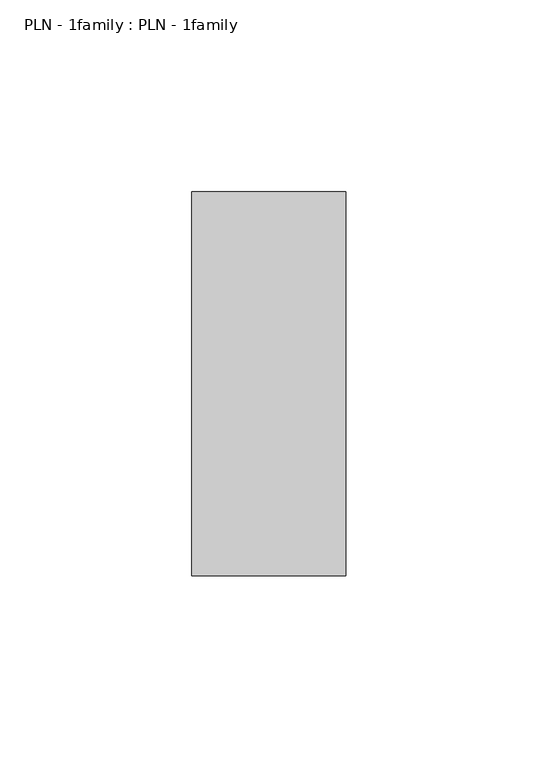
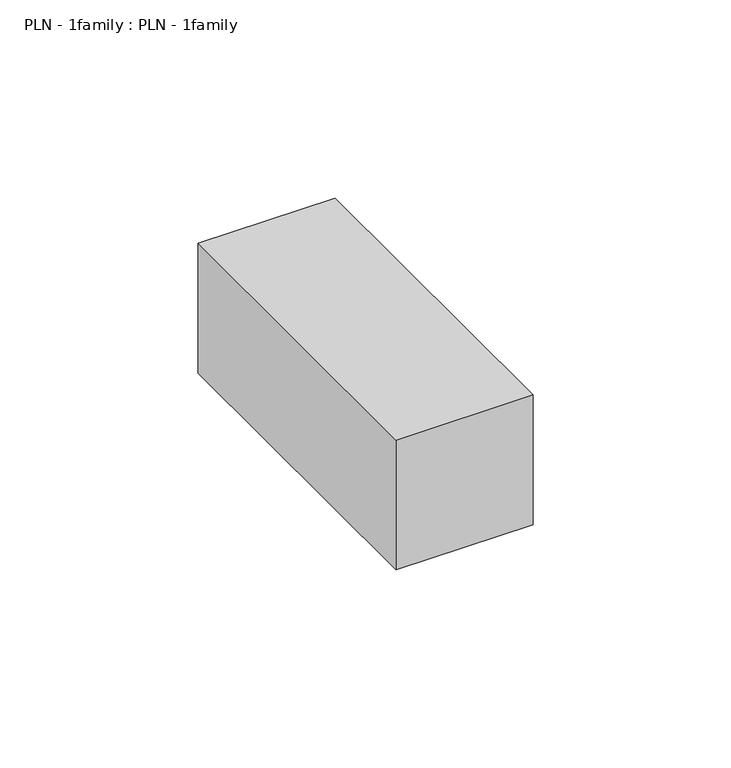
"""IFC4 building model written with IfcOpenShell, lengths in millimetres: proxy geometry, PLN - 1family : PLN - 1family."""

from ifc_helpers import new_model, si_unit, origin, origin_with_axes, place, context, project, spatial, polyline, outline, extrude, source, transform, mapped, element, save


def pln_1family_pln_1family_7651b630(model_context):
    return source(origin(), model_context, "Body", "SweptSolid", [
        extrude(outline(polyline([(0.0, 100.0), (40.0, 100.0), (40.0, 0.0), (0.0, 0.0), (0.0, 100.0)])), origin_with_axes(), (0.0, 0.0, 1.0), 40.0),
    ])


if __name__ == "__main__":
    model = new_model("IFC4")
    model_context = context("Model", 3, world=origin())
    ifc_project = project(units=[si_unit("LENGTHUNIT", "METRE", prefix="MILLI")], contexts=[model_context])
    site = spatial("IfcSite", under=ifc_project)
    building = spatial("IfcBuilding", under=site)
    placement = place(None, origin())
    pln_1family_pln_1family_shape = pln_1family_pln_1family_7651b630(model_context)
    element("IfcBuildingElementProxy", 1, Name="PLN - 1family : PLN - 1family", ObjectType="PLN - 1family : PLN - 1family", at=placement, inside=building, context=model_context, shape_type="MappedRepresentation", body=[
        mapped(pln_1family_pln_1family_shape, transform((0.0, 0.0, 0.0), x_axis=(1.0, 0.0, 0.0), y_axis=(0.0, 1.0, 0.0), z_axis=(0.0, 0.0, 1.0))),
    ])
    save(model, "model.ifc")
